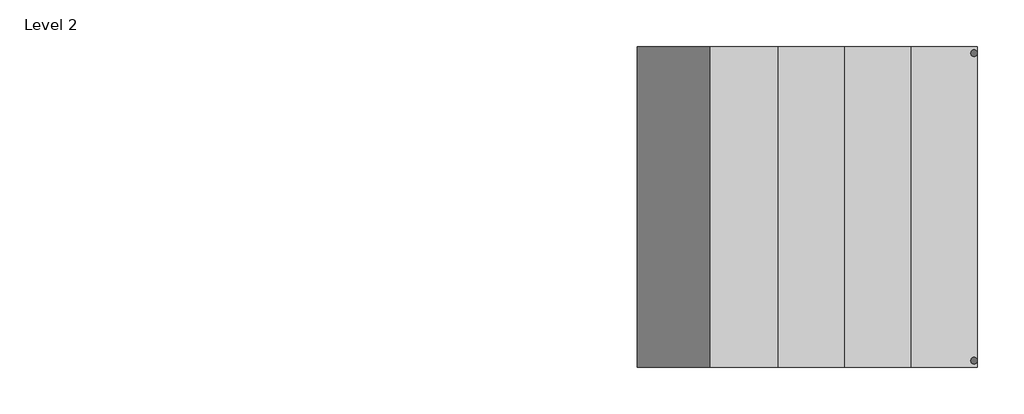
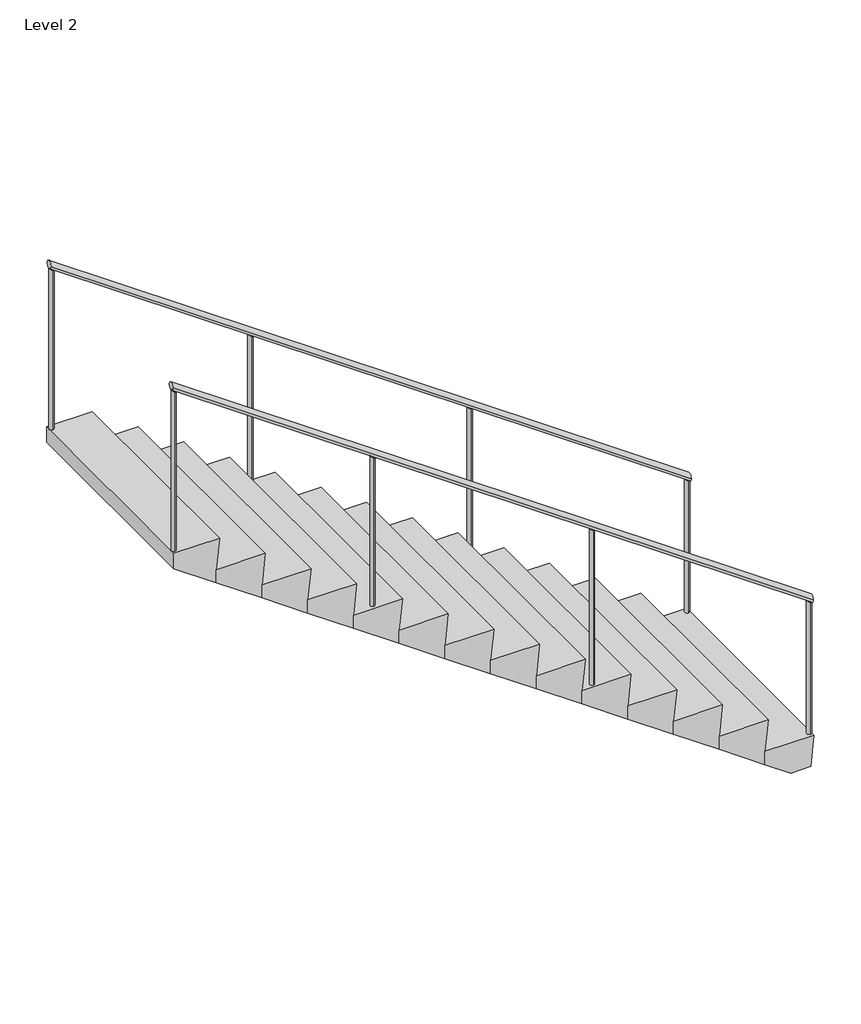
# One storey: 2 railings, 1 stair flight.
"""IFC4 building model written with IfcOpenShell, lengths in millimetres."""

from ifc_helpers import new_model, si_unit, frame, origin, place, context, project, spatial, circle_curve, ellipse_curve, faceted_brep, element, save
from ifc_brep_helpers import plane_surface, cylinder_surface, advanced_brep

model = new_model("IFC4")

# Units and contexts
model_context = context("Model", 3, world=origin())
ifc_project = project(units=[si_unit("LENGTHUNIT", "METRE", prefix="MILLI")], contexts=[model_context])

# Site, building, storey
site = spatial("IfcSite", under=ifc_project)
building = spatial("IfcBuilding", under=site)
storey = spatial("IfcBuildingStorey", under=building, Name="Level 2", Elevation=4927.6)

# Railings
placement = place(None, origin())
element("IfcRailing", 1, ObjectType="Handrail - Pipe 01", at=placement, inside=storey, context=model_context, shape_type="AdvancedBrep", body=[
    advanced_brep(
    [(42120.4631718, 2605.1132884, 6275.9465116), (42120.4631718, 2567.0132884, 6275.9465116), (38564.4631718, 2605.1132884, 8765.1465116), (38564.4631718, 2567.0132884, 8765.1465116)],
    [
        (0, 1, ellipse_curve(frame((42120.4631718, 2586.0632884, 6275.9465116), z_axis=(1.0, 0.0, 0.0), x_axis=(0.0, 0.0, -1.0)), 23.2534884, 19.05)),
        (1, 0, ellipse_curve(frame((42120.4631718, 2586.0632884, 6275.9465116), z_axis=(1.0, 0.0, 0.0), x_axis=(0.0, 0.0, -1.0)), 23.2534884, 19.05)),
        (2, 3, ellipse_curve(frame((38564.4631718, 2586.0632884, 8765.1465116), z_axis=(-1.0, 0.0, 0.0), x_axis=(0.0, 0.0, -1.0)), 23.2534884, 19.05)),
        (3, 2, ellipse_curve(frame((38564.4631718, 2586.0632884, 8765.1465116), z_axis=(-1.0, 0.0, 0.0), x_axis=(0.0, 0.0, -1.0)), 23.2534884, 19.05)),
        (0, 2),
        (3, 1),
    ],
    [
        plane_surface(frame((42120.4631718, 2586.0632884, 6299.2), z_axis=(1.0, 0.0, 0.0), x_axis=(0.0, -1.0, 0.0))),
        plane_surface(frame((38564.4631718, 2586.0632884, 8788.4), z_axis=(-1.0, 0.0, 0.0), x_axis=(0.0, -1.0, 0.0))),
        cylinder_surface(frame((42109.5387142, 2586.0632884, 6283.5936319), z_axis=(0.8192319205190406, 0.0, -0.5734623443633282), x_axis=(0.0, -1.0, 0.0)), 19.05),
    ],
    [
        (0, [[1, 2]]),
        (1, [[3, 4]]),
        (2, [[-1, 5, -4, 6]]),
        (2, [[-2, -6, -3, -5]]),
    ],
),
    advanced_brep(
    [(39682.0631718, 2598.7632884, 7959.5730231), (39682.0631718, 2598.7632884, 7086.6), (39682.0631718, 2573.3632884, 7086.6), (39682.0631718, 2573.3632884, 7959.5730231)],
    [
        (0, 1),
        (1, 2, circle_curve(frame((39682.0631718, 2586.0632884, 7086.6), z_axis=(0.0, 0.0, 1.0), x_axis=(0.0, -1.0, 0.0)), 12.7)),
        (2, 3),
        (3, 0, ellipse_curve(frame((39682.0631718, 2586.0632884, 7959.5730231), z_axis=(-0.5734623443633254, 0.0, -0.8192319205190425), x_axis=(-0.8192319205190425, 0.0, 0.5734623443633255)), 15.5023256, 12.7)),
        (0, 3, ellipse_curve(frame((39682.0631718, 2586.0632884, 7959.5730231), z_axis=(-0.5734623443633254, 0.0, -0.8192319205190425), x_axis=(-0.8192319205190425, 0.0, 0.5734623443633255)), 15.5023256, 12.7)),
        (2, 1, circle_curve(frame((39682.0631718, 2586.0632884, 7086.6), z_axis=(0.0, 0.0, 1.0), x_axis=(0.0, -1.0, 0.0)), 12.7)),
    ],
    [
        cylinder_surface(frame((39682.0631718, 2586.0632884, 6858.0), z_axis=(0.0, 0.0, 1.0), x_axis=(0.0, -1.0, 0.0)), 12.7),
        plane_surface(frame((39656.6631718, 2560.6632884, 7977.3530231), z_axis=(0.5734623443633254, 0.0, 0.8192319205190425), x_axis=(0.0, 1.0, 0.0))),
        plane_surface(frame((39707.4631718, 2560.6632884, 7086.6), z_axis=(0.0, 0.0, -1.0), x_axis=(0.0, 1.0, 0.0))),
    ],
    [
        (0, [[1, 2, 3, 4]]),
        (0, [[-1, 5, -3, 6]]),
        (1, [[-4, -5]]),
        (2, [[-2, -6]]),
    ],
),
    advanced_brep(
    [(40901.2631718, 2598.7632884, 7106.1330231), (40901.2631718, 2598.7632884, 6197.6), (40901.2631718, 2573.3632884, 6197.6), (40901.2631718, 2573.3632884, 7106.1330231)],
    [
        (0, 1),
        (1, 2, circle_curve(frame((40901.2631718, 2586.0632884, 6197.6), z_axis=(0.0, 0.0, 1.0), x_axis=(0.0, -1.0, 0.0)), 12.7)),
        (2, 3),
        (3, 0, ellipse_curve(frame((40901.2631718, 2586.0632884, 7106.1330231), z_axis=(-0.5734623443633269, 0.0, -0.8192319205190415), x_axis=(-0.8192319205190415, 0.0, 0.5734623443633269)), 15.5023256, 12.7)),
        (0, 3, ellipse_curve(frame((40901.2631718, 2586.0632884, 7106.1330231), z_axis=(-0.5734623443633269, 0.0, -0.8192319205190415), x_axis=(-0.8192319205190415, 0.0, 0.5734623443633269)), 15.5023256, 12.7)),
        (2, 1, circle_curve(frame((40901.2631718, 2586.0632884, 6197.6), z_axis=(0.0, 0.0, 1.0), x_axis=(0.0, -1.0, 0.0)), 12.7)),
    ],
    [
        cylinder_surface(frame((40901.2631718, 2586.0632884, 5969.0), z_axis=(0.0, 0.0, 1.0), x_axis=(0.0, -1.0, 0.0)), 12.7),
        plane_surface(frame((40875.8631718, 2560.6632884, 7123.9130231), z_axis=(0.5734623443633269, 0.0, 0.8192319205190415), x_axis=(0.0, 1.0, 0.0))),
        plane_surface(frame((40926.6631718, 2560.6632884, 6197.6), z_axis=(0.0, 0.0, -1.0), x_axis=(0.0, 1.0, 0.0))),
    ],
    [
        (0, [[1, 2, 3, 4]]),
        (0, [[-1, 5, -3, 6]]),
        (1, [[-4, -5]]),
        (2, [[-2, -6]]),
    ],
),
    advanced_brep(
    [(38577.1631718, 2598.7632884, 8733.0030231), (38577.1631718, 2598.7632884, 7797.8), (38577.1631718, 2573.3632884, 7797.8), (38577.1631718, 2573.3632884, 8733.0030231)],
    [
        (0, 1),
        (1, 2, circle_curve(frame((38577.1631718, 2586.0632884, 7797.8), z_axis=(0.0, 0.0, 1.0), x_axis=(0.0, -1.0, 0.0)), 12.7)),
        (2, 3),
        (3, 0, ellipse_curve(frame((38577.1631718, 2586.0632884, 8733.0030231), z_axis=(-0.5734623443633269, 0.0, -0.8192319205190415), x_axis=(-0.8192319205190415, 0.0, 0.5734623443633269)), 15.5023256, 12.7)),
        (0, 3, ellipse_curve(frame((38577.1631718, 2586.0632884, 8733.0030231), z_axis=(-0.5734623443633269, 0.0, -0.8192319205190415), x_axis=(-0.8192319205190415, 0.0, 0.5734623443633269)), 15.5023256, 12.7)),
        (2, 1, circle_curve(frame((38577.1631718, 2586.0632884, 7797.8), z_axis=(0.0, 0.0, 1.0), x_axis=(0.0, -1.0, 0.0)), 12.7)),
    ],
    [
        cylinder_surface(frame((38577.1631718, 2586.0632884, 7569.2), z_axis=(0.0, 0.0, 1.0), x_axis=(0.0, -1.0, 0.0)), 12.7),
        plane_surface(frame((38551.7631718, 2560.6632884, 8750.7830231), z_axis=(0.5734623443633269, 0.0, 0.8192319205190415), x_axis=(0.0, 1.0, 0.0))),
        plane_surface(frame((38602.5631718, 2560.6632884, 7797.8), z_axis=(0.0, 0.0, -1.0), x_axis=(0.0, 1.0, 0.0))),
    ],
    [
        (0, [[1, 2, 3, 4]]),
        (0, [[-1, 5, -3, 6]]),
        (1, [[-4, -5]]),
        (2, [[-2, -6]]),
    ],
),
    advanced_brep(
    [(42107.7631718, 2598.7632884, 6261.5830231), (42107.7631718, 2598.7632884, 5486.4), (42107.7631718, 2573.3632884, 5486.4), (42107.7631718, 2573.3632884, 6261.5830231)],
    [
        (0, 1),
        (1, 2, circle_curve(frame((42107.7631718, 2586.0632884, 5486.4), z_axis=(0.0, 0.0, 1.0), x_axis=(0.0, -1.0, 0.0)), 12.7)),
        (2, 3),
        (3, 0, ellipse_curve(frame((42107.7631718, 2586.0632884, 6261.5830231), z_axis=(-0.5734623443633269, 0.0, -0.8192319205190415), x_axis=(-0.8192319205190415, 0.0, 0.5734623443633269)), 15.5023256, 12.7)),
        (0, 3, ellipse_curve(frame((42107.7631718, 2586.0632884, 6261.5830231), z_axis=(-0.5734623443633269, 0.0, -0.8192319205190415), x_axis=(-0.8192319205190415, 0.0, 0.5734623443633269)), 15.5023256, 12.7)),
        (2, 1, circle_curve(frame((42107.7631718, 2586.0632884, 5486.4), z_axis=(0.0, 0.0, 1.0), x_axis=(0.0, -1.0, 0.0)), 12.7)),
    ],
    [
        cylinder_surface(frame((42107.7631718, 2586.0632884, 5257.8), z_axis=(0.0, 0.0, 1.0), x_axis=(0.0, -1.0, 0.0)), 12.7),
        plane_surface(frame((42082.3631718, 2560.6632884, 6279.3630231), z_axis=(0.5734623443633269, 0.0, 0.8192319205190415), x_axis=(0.0, 1.0, 0.0))),
        plane_surface(frame((42133.1631718, 2560.6632884, 5486.4), z_axis=(0.0, 0.0, -1.0), x_axis=(0.0, 1.0, 0.0))),
    ],
    [
        (0, [[1, 2, 3, 4]]),
        (0, [[-1, 5, -3, 6]]),
        (1, [[-4, -5]]),
        (2, [[-2, -6]]),
    ],
),
])
element("IfcRailing", 2, ObjectType="Handrail - Pipe 01", at=placement, inside=storey, context=model_context, shape_type="AdvancedBrep", body=[
    advanced_brep(
    [(42120.4631718, 1430.3632884, 6275.9465116), (42120.4631718, 1392.2632884, 6275.9465116), (38564.4631718, 1430.3632884, 8765.1465116), (38564.4631718, 1392.2632884, 8765.1465116)],
    [
        (0, 1, ellipse_curve(frame((42120.4631718, 1411.3132884, 6275.9465116), z_axis=(1.0, 0.0, 0.0), x_axis=(0.0, 0.0, -1.0)), 23.2534884, 19.05)),
        (1, 0, ellipse_curve(frame((42120.4631718, 1411.3132884, 6275.9465116), z_axis=(1.0, 0.0, 0.0), x_axis=(0.0, 0.0, -1.0)), 23.2534884, 19.05)),
        (2, 3, ellipse_curve(frame((38564.4631718, 1411.3132884, 8765.1465116), z_axis=(-1.0, 0.0, 0.0), x_axis=(0.0, 0.0, -1.0)), 23.2534884, 19.05)),
        (3, 2, ellipse_curve(frame((38564.4631718, 1411.3132884, 8765.1465116), z_axis=(-1.0, 0.0, 0.0), x_axis=(0.0, 0.0, -1.0)), 23.2534884, 19.05)),
        (0, 2),
        (3, 1),
    ],
    [
        plane_surface(frame((42120.4631718, 1411.3132884, 6299.2), z_axis=(1.0, 0.0, 0.0), x_axis=(0.0, -1.0, 0.0))),
        plane_surface(frame((38564.4631718, 1411.3132884, 8788.4), z_axis=(-1.0, 0.0, 0.0), x_axis=(0.0, -1.0, 0.0))),
        cylinder_surface(frame((42109.5387142, 1411.3132884, 6283.5936319), z_axis=(0.8192319205190406, 0.0, -0.5734623443633283), x_axis=(0.0, -1.0, 0.0)), 19.05),
    ],
    [
        (0, [[1, 2]]),
        (1, [[3, 4]]),
        (2, [[-1, 5, -4, 6]]),
        (2, [[-2, -6, -3, -5]]),
    ],
),
    advanced_brep(
    [(39682.0631718, 1398.6132884, 7959.5730231), (39682.0631718, 1424.0132884, 7959.5730231), (39682.0631718, 1424.0132884, 7086.6), (39682.0631718, 1398.6132884, 7086.6)],
    [
        (0, 1, ellipse_curve(frame((39682.0631718, 1411.3132884, 7959.5730231), z_axis=(-0.5734623443633254, 0.0, -0.8192319205190425), x_axis=(-0.8192319205190425, 0.0, 0.5734623443633255)), 15.5023256, 12.7)),
        (1, 2),
        (2, 3, circle_curve(frame((39682.0631718, 1411.3132884, 7086.6), z_axis=(0.0, 0.0, 1.0), x_axis=(0.0, 1.0, 0.0)), 12.7)),
        (3, 0),
        (3, 2, circle_curve(frame((39682.0631718, 1411.3132884, 7086.6), z_axis=(0.0, 0.0, 1.0), x_axis=(0.0, 1.0, 0.0)), 12.7)),
        (1, 0, ellipse_curve(frame((39682.0631718, 1411.3132884, 7959.5730231), z_axis=(-0.5734623443633254, 0.0, -0.8192319205190425), x_axis=(-0.8192319205190425, 0.0, 0.5734623443633255)), 15.5023256, 12.7)),
    ],
    [
        cylinder_surface(frame((39682.0631718, 1411.3132884, 6858.0), z_axis=(0.0, 0.0, 1.0), x_axis=(0.0, 1.0, 0.0)), 12.7),
        plane_surface(frame((39656.6631718, 1436.7132884, 7977.3530231), z_axis=(0.5734623443633254, 0.0, 0.8192319205190425), x_axis=(0.0, -1.0, 0.0))),
        plane_surface(frame((39707.4631718, 1436.7132884, 7086.6), z_axis=(0.0, 0.0, -1.0), x_axis=(0.0, -1.0, 0.0))),
    ],
    [
        (0, [[1, 2, 3, 4]]),
        (0, [[5, -2, 6, -4]]),
        (1, [[-6, -1]]),
        (2, [[-5, -3]]),
    ],
),
    advanced_brep(
    [(40901.2631718, 1398.6132884, 7106.1330231), (40901.2631718, 1424.0132884, 7106.1330231), (40901.2631718, 1424.0132884, 6197.6), (40901.2631718, 1398.6132884, 6197.6)],
    [
        (0, 1, ellipse_curve(frame((40901.2631718, 1411.3132884, 7106.1330231), z_axis=(-0.5734623443633269, 0.0, -0.8192319205190415), x_axis=(-0.8192319205190415, 0.0, 0.5734623443633269)), 15.5023256, 12.7)),
        (1, 2),
        (2, 3, circle_curve(frame((40901.2631718, 1411.3132884, 6197.6), z_axis=(0.0, 0.0, 1.0), x_axis=(0.0, 1.0, 0.0)), 12.7)),
        (3, 0),
        (3, 2, circle_curve(frame((40901.2631718, 1411.3132884, 6197.6), z_axis=(0.0, 0.0, 1.0), x_axis=(0.0, 1.0, 0.0)), 12.7)),
        (1, 0, ellipse_curve(frame((40901.2631718, 1411.3132884, 7106.1330231), z_axis=(-0.5734623443633269, 0.0, -0.8192319205190415), x_axis=(-0.8192319205190415, 0.0, 0.5734623443633269)), 15.5023256, 12.7)),
    ],
    [
        cylinder_surface(frame((40901.2631718, 1411.3132884, 5969.0), z_axis=(0.0, 0.0, 1.0), x_axis=(0.0, 1.0, 0.0)), 12.7),
        plane_surface(frame((40875.8631718, 1436.7132884, 7123.9130231), z_axis=(0.5734623443633269, 0.0, 0.8192319205190415), x_axis=(0.0, -1.0, 0.0))),
        plane_surface(frame((40926.6631718, 1436.7132884, 6197.6), z_axis=(0.0, 0.0, -1.0), x_axis=(0.0, -1.0, 0.0))),
    ],
    [
        (0, [[1, 2, 3, 4]]),
        (0, [[5, -2, 6, -4]]),
        (1, [[-6, -1]]),
        (2, [[-5, -3]]),
    ],
),
    advanced_brep(
    [(38577.1631718, 1398.6132884, 8733.0030231), (38577.1631718, 1424.0132884, 8733.0030231), (38577.1631718, 1424.0132884, 7797.8), (38577.1631718, 1398.6132884, 7797.8)],
    [
        (0, 1, ellipse_curve(frame((38577.1631718, 1411.3132884, 8733.0030231), z_axis=(-0.5734623443633269, 0.0, -0.8192319205190415), x_axis=(-0.8192319205190415, 0.0, 0.5734623443633269)), 15.5023256, 12.7)),
        (1, 2),
        (2, 3, circle_curve(frame((38577.1631718, 1411.3132884, 7797.8), z_axis=(0.0, 0.0, 1.0), x_axis=(0.0, 1.0, 0.0)), 12.7)),
        (3, 0),
        (3, 2, circle_curve(frame((38577.1631718, 1411.3132884, 7797.8), z_axis=(0.0, 0.0, 1.0), x_axis=(0.0, 1.0, 0.0)), 12.7)),
        (1, 0, ellipse_curve(frame((38577.1631718, 1411.3132884, 8733.0030231), z_axis=(-0.5734623443633269, 0.0, -0.8192319205190415), x_axis=(-0.8192319205190415, 0.0, 0.5734623443633269)), 15.5023256, 12.7)),
    ],
    [
        cylinder_surface(frame((38577.1631718, 1411.3132884, 7569.2), z_axis=(0.0, 0.0, 1.0), x_axis=(0.0, 1.0, 0.0)), 12.7),
        plane_surface(frame((38551.7631718, 1436.7132884, 8750.7830231), z_axis=(0.5734623443633269, 0.0, 0.8192319205190415), x_axis=(0.0, -1.0, 0.0))),
        plane_surface(frame((38602.5631718, 1436.7132884, 7797.8), z_axis=(0.0, 0.0, -1.0), x_axis=(0.0, -1.0, 0.0))),
    ],
    [
        (0, [[1, 2, 3, 4]]),
        (0, [[5, -2, 6, -4]]),
        (1, [[-6, -1]]),
        (2, [[-5, -3]]),
    ],
),
    advanced_brep(
    [(42107.7631718, 1398.6132884, 6261.5830231), (42107.7631718, 1424.0132884, 6261.5830231), (42107.7631718, 1424.0132884, 5486.4), (42107.7631718, 1398.6132884, 5486.4)],
    [
        (0, 1, ellipse_curve(frame((42107.7631718, 1411.3132884, 6261.5830231), z_axis=(-0.5734623443633269, 0.0, -0.8192319205190415), x_axis=(-0.8192319205190415, 0.0, 0.5734623443633269)), 15.5023256, 12.7)),
        (1, 2),
        (2, 3, circle_curve(frame((42107.7631718, 1411.3132884, 5486.4), z_axis=(0.0, 0.0, 1.0), x_axis=(0.0, 1.0, 0.0)), 12.7)),
        (3, 0),
        (3, 2, circle_curve(frame((42107.7631718, 1411.3132884, 5486.4), z_axis=(0.0, 0.0, 1.0), x_axis=(0.0, 1.0, 0.0)), 12.7)),
        (1, 0, ellipse_curve(frame((42107.7631718, 1411.3132884, 6261.5830231), z_axis=(-0.5734623443633269, 0.0, -0.8192319205190415), x_axis=(-0.8192319205190415, 0.0, 0.5734623443633269)), 15.5023256, 12.7)),
    ],
    [
        cylinder_surface(frame((42107.7631718, 1411.3132884, 5257.8), z_axis=(0.0, 0.0, 1.0), x_axis=(0.0, 1.0, 0.0)), 12.7),
        plane_surface(frame((42082.3631718, 1436.7132884, 6279.3630231), z_axis=(0.5734623443633269, 0.0, 0.8192319205190415), x_axis=(0.0, -1.0, 0.0))),
        plane_surface(frame((42133.1631718, 1436.7132884, 5486.4), z_axis=(0.0, 0.0, -1.0), x_axis=(0.0, -1.0, 0.0))),
    ],
    [
        (0, [[1, 2, 3, 4]]),
        (0, [[5, -2, 6, -4]]),
        (1, [[-6, -1]]),
        (2, [[-5, -3]]),
    ],
),
])

# Stair flight
element("IfcStairFlight", 3, ObjectType="3/4\" Nosing", at=placement, inside=storey, context=model_context, shape_type="Brep", body=[
    faceted_brep([(42120.4631718, 2611.4632884, 5486.4), (42120.4631718, 1385.9132884, 5486.4), (42101.4131718, 1385.9132884, 5308.6), (42101.4131718, 2611.4632884, 5308.6), (41847.4131718, 2611.4632884, 5486.4), (41847.4131718, 1385.9132884, 5486.4), (41847.4131718, 1385.9132884, 5408.8883718), (41990.6822745, 1385.9132884, 5308.6), (41990.6822745, 2611.4632884, 5308.6), (41847.4131718, 2611.4632884, 5408.8883718), (41866.4631718, 1385.9132884, 5664.2), (41866.4631718, 2611.4632884, 5664.2), (41593.4131718, 2611.4632884, 5664.2), (41593.4131718, 1385.9132884, 5664.2), (41593.4131718, 1385.9132884, 5586.6883718), (41593.4131718, 2611.4632884, 5586.6883718), (41612.4631718, 1385.9132884, 5842.0), (41612.4631718, 2611.4632884, 5842.0), (41339.4131718, 2611.4632884, 5842.0), (41339.4131718, 1385.9132884, 5842.0), (41339.4131718, 1385.9132884, 5764.4883718), (41339.4131718, 2611.4632884, 5764.4883718), (41358.4631718, 1385.9132884, 6019.8), (41358.4631718, 2611.4632884, 6019.8), (41085.4131718, 2611.4632884, 6019.8), (41085.4131718, 1385.9132884, 6019.8), (41085.4131718, 1385.9132884, 5942.2883718), (41085.4131718, 2611.4632884, 5942.2883718), (41104.4631718, 1385.9132884, 6197.6), (41104.4631718, 2611.4632884, 6197.6), (40831.4131718, 2611.4632884, 6197.6), (40831.4131718, 1385.9132884, 6197.6), (40831.4131718, 1385.9132884, 6120.0883718), (40831.4131718, 2611.4632884, 6120.0883718), (40850.4631718, 1385.9132884, 6375.4), (40850.4631718, 2611.4632884, 6375.4), (40577.4131718, 2611.4632884, 6375.4), (40577.4131718, 1385.9132884, 6375.4), (40577.4131718, 1385.9132884, 6297.8883718), (40577.4131718, 2611.4632884, 6297.8883718), (40596.4631718, 1385.9132884, 6553.2), (40596.4631718, 2611.4632884, 6553.2), (40323.4131718, 2611.4632884, 6553.2), (40323.4131718, 1385.9132884, 6553.2), (40323.4131718, 1385.9132884, 6475.6883718), (40323.4131718, 2611.4632884, 6475.6883718), (40342.4631718, 1385.9132884, 6731.0), (40342.4631718, 2611.4632884, 6731.0), (40069.4131718, 2611.4632884, 6731.0), (40069.4131718, 1385.9132884, 6731.0), (40069.4131718, 1385.9132884, 6653.4883718), (40069.4131718, 2611.4632884, 6653.4883718), (40088.4631718, 1385.9132884, 6908.8), (40088.4631718, 2611.4632884, 6908.8), (39815.4131718, 2611.4632884, 6908.8), (39815.4131718, 1385.9132884, 6908.8), (39815.4131718, 1385.9132884, 6831.2883718), (39815.4131718, 2611.4632884, 6831.2883718), (39834.4631718, 1385.9132884, 7086.6), (39834.4631718, 2611.4632884, 7086.6), (39561.4131718, 2611.4632884, 7086.6), (39561.4131718, 1385.9132884, 7086.6), (39561.4131718, 1385.9132884, 7009.0883718), (39561.4131718, 2611.4632884, 7009.0883718), (39307.4131718, 1385.9132884, 7186.8883718), (39053.4131718, 1385.9132884, 7364.6883718), (38799.4131718, 1385.9132884, 7542.4883718), (38564.4631718, 1385.9132884, 7706.9533718), (38564.4631718, 2611.4632884, 7706.9533718), (38799.4131718, 2611.4632884, 7542.4883718), (39053.4131718, 2611.4632884, 7364.6883718), (39307.4131718, 2611.4632884, 7186.8883718), (39580.4631718, 1385.9132884, 7264.4), (39580.4631718, 2611.4632884, 7264.4), (39307.4131718, 2611.4632884, 7264.4), (39307.4131718, 1385.9132884, 7264.4), (39326.4631718, 1385.9132884, 7442.2), (39326.4631718, 2611.4632884, 7442.2), (39053.4131718, 2611.4632884, 7442.2), (39053.4131718, 1385.9132884, 7442.2), (39072.4631718, 1385.9132884, 7620.0), (39072.4631718, 2611.4632884, 7620.0), (38799.4131718, 2611.4632884, 7620.0), (38799.4131718, 1385.9132884, 7620.0), (38818.4631718, 1385.9132884, 7797.8), (38818.4631718, 2611.4632884, 7797.8), (38564.4631718, 2611.4632884, 7797.8), (38564.4631718, 1385.9132884, 7797.8)], [[[0, 1, 2, 3]], [[1, 0, 4, 5]], [[1, 5, 6, 7, 2]], [[4, 0, 3, 8, 9]], [[10, 11, 12, 13]], [[10, 13, 14, 6, 5]], [[12, 11, 4, 9, 15]], [[5, 4, 11, 10]], [[16, 17, 18, 19]], [[16, 19, 20, 14, 13]], [[18, 17, 12, 15, 21]], [[13, 12, 17, 16]], [[22, 23, 24, 25]], [[22, 25, 26, 20, 19]], [[24, 23, 18, 21, 27]], [[19, 18, 23, 22]], [[28, 29, 30, 31]], [[28, 31, 32, 26, 25]], [[30, 29, 24, 27, 33]], [[25, 24, 29, 28]], [[34, 35, 36, 37]], [[34, 37, 38, 32, 31]], [[36, 35, 30, 33, 39]], [[31, 30, 35, 34]], [[40, 41, 42, 43]], [[40, 43, 44, 38, 37]], [[42, 41, 36, 39, 45]], [[37, 36, 41, 40]], [[46, 47, 48, 49]], [[46, 49, 50, 44, 43]], [[48, 47, 42, 45, 51]], [[43, 42, 47, 46]], [[52, 53, 54, 55]], [[52, 55, 56, 50, 49]], [[54, 53, 48, 51, 57]], [[49, 48, 53, 52]], [[58, 59, 60, 61]], [[58, 61, 62, 56, 55]], [[60, 59, 54, 57, 63]], [[55, 54, 59, 58]], [[3, 2, 7, 8]], [[8, 7, 6, 14, 20, 26, 32, 38, 44, 50, 56, 62, 64, 65, 66, 67, 68, 69, 70, 71, 63, 57, 51, 45, 39, 33, 27, 21, 15, 9]], [[72, 73, 74, 75]], [[72, 75, 64, 62, 61]], [[74, 73, 60, 63, 71]], [[61, 60, 73, 72]], [[76, 77, 78, 79]], [[76, 79, 65, 64, 75]], [[78, 77, 74, 71, 70]], [[75, 74, 77, 76]], [[80, 81, 82, 83]], [[80, 83, 66, 65, 79]], [[82, 81, 78, 70, 69]], [[79, 78, 81, 80]], [[84, 85, 86, 87]], [[84, 87, 67, 66, 83]], [[86, 85, 82, 69, 68]], [[87, 86, 68, 67]], [[83, 82, 85, 84]]]),
])

save(model, "model.ifc")
